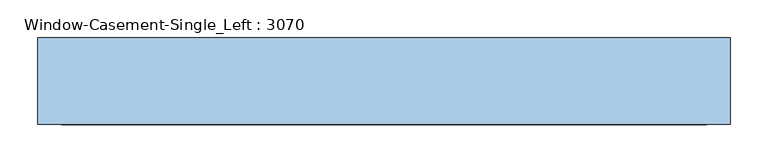
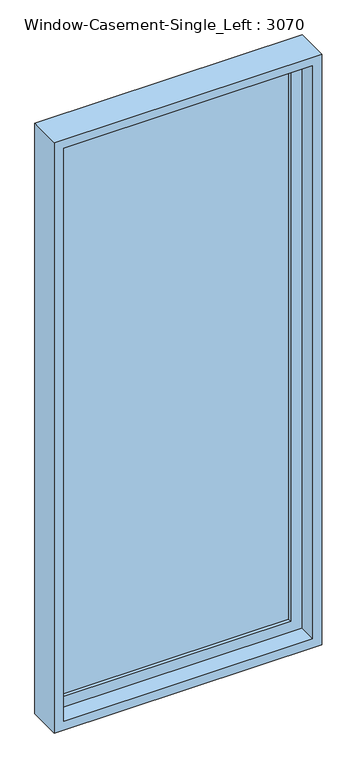
"""IFC4 building model written with IfcOpenShell, lengths in millimetres: window geometry, Window-Casement-Single_Left : 3070."""

from ifc_helpers import new_model, si_unit, frame, origin, place, context, project, spatial, polyline, outline, extrude, faceted_brep, source, transform, mapped, element, save


def window_casement_single_left_3070_4b7ff8f8(model_context):
    return source(origin(), model_context, "Body", "SolidModel", [
        extrude(outline(polyline([(387.35, 85.725), (387.35, 79.375), (-387.35, 79.375), (-387.35, 85.725), (387.35, 85.725)])), frame((0.0, 0.0, 984.25), z_axis=(0.0, 0.0, 1.0), x_axis=(1.0, 0.0, 0.0)), (0.0, 0.0, 1.0), 1993.9),
        extrude(outline(polyline([(-387.35, 66.675), (-387.35, 73.025), (387.35, 73.025), (387.35, 66.675), (-387.35, 66.675)])), frame((0.0, 0.0, 984.25), z_axis=(0.0, 0.0, 1.0), x_axis=(1.0, 0.0, 0.0)), (0.0, 0.0, 1.0), 1993.9),
        extrude(outline(polyline([(3035.3, -444.5), (927.1, -444.5), (927.1, 444.5), (3035.3, 444.5), (3035.3, -444.5)]), holes=[polyline([(2978.15, 387.35), (984.25, 387.35), (984.25, -387.35), (2978.15, -387.35), (2978.15, 387.35)])]), frame((0.0, 53.975, 0.0), z_axis=(0.0, 1.0, 0.0), x_axis=(0.0, 0.0, 1.0)), (0.0, 0.0, 1.0), 44.45),
        faceted_brep([(425.45, 53.975, 3016.25), (425.45, -9.525, 3016.25), (-425.45, -9.525, 3016.25), (-425.45, 53.975, 3016.25), (444.5, 104.775, 3035.3), (444.5, 53.975, 3035.3), (-444.5, 53.975, 3035.3), (-444.5, 104.775, 3035.3), (457.2, -9.525, 3048.0), (457.2, 104.775, 3048.0), (-457.2, 104.775, 3048.0), (-457.2, -9.525, 3048.0), (-425.45, -9.525, 946.15), (-425.45, 53.975, 946.15), (-444.5, 53.975, 927.1), (-444.5, 104.775, 927.1), (-457.2, 104.775, 914.4), (-457.2, -9.525, 914.4), (425.45, -9.525, 946.15), (425.45, 53.975, 946.15), (444.5, 53.975, 927.1), (444.5, 104.775, 927.1), (457.2, 104.775, 914.4), (457.2, -9.525, 914.4)], [[[0, 1, 2, 3]], [[4, 5, 6, 7]], [[8, 9, 10, 11]], [[3, 2, 12, 13]], [[7, 6, 14, 15]], [[11, 10, 16, 17]], [[13, 12, 18, 19]], [[15, 14, 20, 21]], [[17, 16, 22, 23]], [[11, 17, 23, 8], [1, 18, 12, 2]], [[19, 18, 1, 0]], [[5, 20, 14, 6], [3, 13, 19, 0]], [[21, 20, 5, 4]], [[23, 22, 9, 8]], [[9, 22, 16, 10], [7, 15, 21, 4]]]),
    ])


if __name__ == "__main__":
    model = new_model("IFC4")
    model_context = context("Model", 3, world=origin())
    ifc_project = project(units=[si_unit("LENGTHUNIT", "METRE", prefix="MILLI")], contexts=[model_context])
    site = spatial("IfcSite", under=ifc_project)
    building = spatial("IfcBuilding", under=site)
    placement = place(None, origin())
    window_casement_single_left_3070_shape = window_casement_single_left_3070_4b7ff8f8(model_context)
    element("IfcWindow", 1, ObjectType="Window-Casement-Single_Left : 3070", at=placement, inside=building, context=model_context, shape_type="MappedRepresentation", body=[
        mapped(window_casement_single_left_3070_shape, transform((0.0, 0.0, 0.0), x_axis=(1.0, 0.0, 0.0), y_axis=(0.0, 1.0, 0.0), z_axis=(0.0, 0.0, 1.0))),
    ])
    save(model, "model.ifc")
